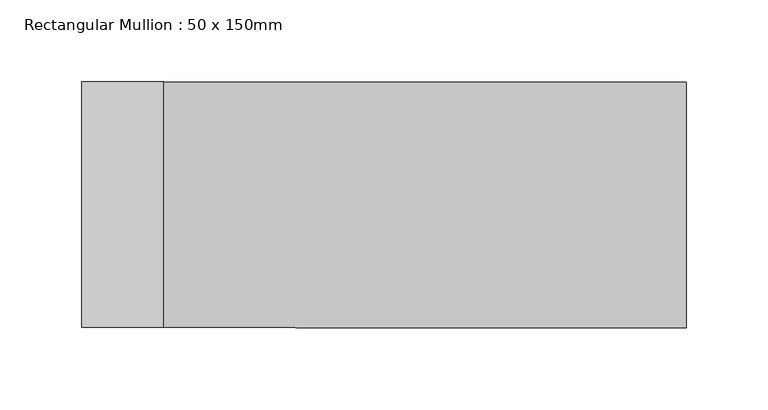
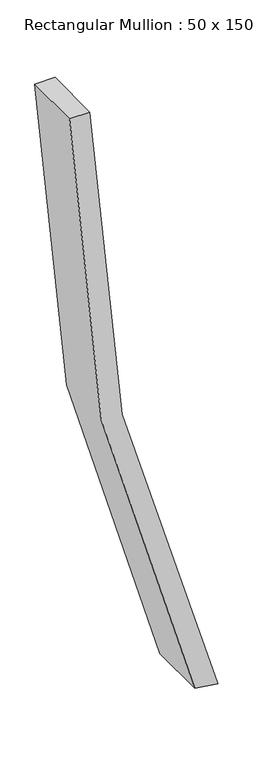
"""IFC4 building model written with IfcOpenShell, lengths in millimetres: member geometry, Rectangular Mullion : 50 x 150mm."""

from ifc_helpers import new_model, si_unit, point, frame, frame_2d, origin, place, context, project, spatial, polyline, circle_curve, trimmed, segment, composite_curve, outline, extrude, source, transform, mapped, element, save


def rectangular_mullion_50_x_150mm_6d443849(model_context):
    return source(origin(), model_context, "Body", "SweptSolid", [
        extrude(outline(composite_curve([segment(trimmed(circle_curve(frame_2d((0.0, 4238.8725831)), 4238.8725831), [point((-1613.5594819, 319.1192013))], [point((0.0, 0.0))], True, "CARTESIAN"), True, "CONTINUOUS"), segment(polyline([(0.0, 0.0), (0.0, -50.0)]), True, "CONTINUOUS"), segment(trimmed(circle_curve(frame_2d((0.0, 4238.8725831)), 4288.8725831), [point((0.0, -50.0))], [point((-1605.5027347, 261.8398949))], False, "CARTESIAN"), True, "CONTINUOUS"), segment(polyline([(-1605.5027347, 261.8398949), (-1613.5594819, 319.1192013)]), True, "CONTINUOUS")], self_intersect=False)), frame((0.0, -75.0, 0.0), z_axis=(0.0, 1.0, 0.0), x_axis=(0.0, 0.0, 1.0)), (0.0, 0.0, 1.0), 150.0),
    ])


if __name__ == "__main__":
    model = new_model("IFC4")
    model_context = context("Model", 3, world=origin())
    ifc_project = project(units=[si_unit("LENGTHUNIT", "METRE", prefix="MILLI")], contexts=[model_context])
    site = spatial("IfcSite", under=ifc_project)
    building = spatial("IfcBuilding", under=site)
    placement = place(None, origin())
    rectangular_mullion_50_x_150mm_shape = rectangular_mullion_50_x_150mm_6d443849(model_context)
    element("IfcMember", 1, ObjectType="Rectangular Mullion : 50 x 150mm", at=placement, inside=building, context=model_context, shape_type="MappedRepresentation", body=[
        mapped(rectangular_mullion_50_x_150mm_shape, transform((0.0, 0.0, 0.0), x_axis=(1.0, 0.0, 0.0), y_axis=(0.0, 1.0, 0.0), z_axis=(0.0, 0.0, 1.0))),
    ])
    save(model, "model.ifc")
